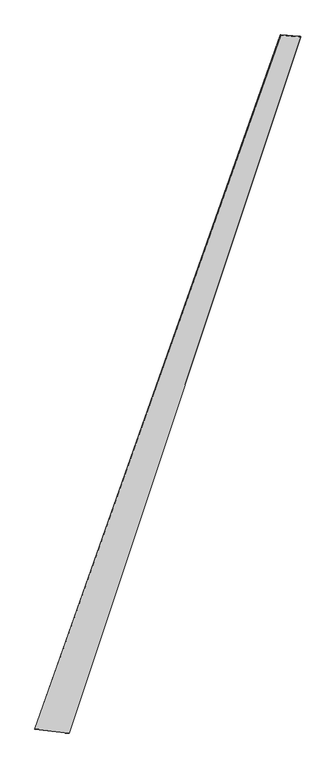
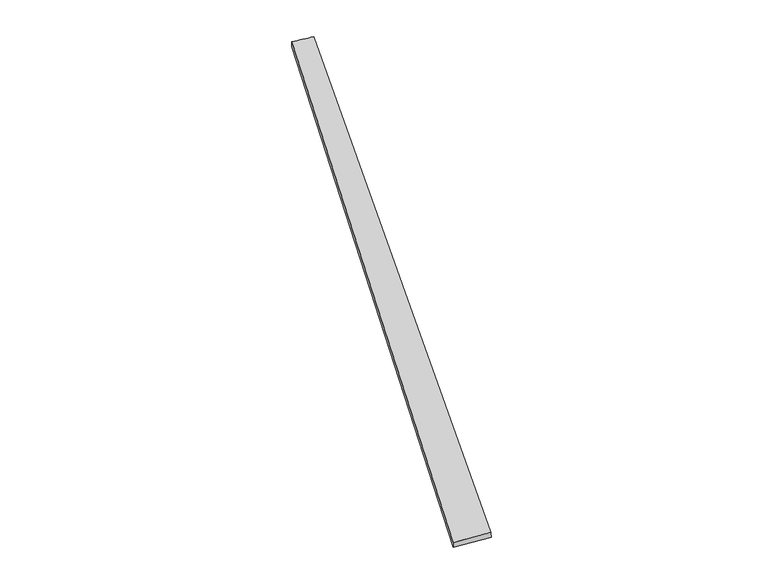
"""IFC4 building model written with IfcOpenShell, lengths in millimetres: proxy geometry."""

from ifc_helpers import new_model, si_unit, frame, origin, place, context, project, spatial, source, transform, mapped, element, save
from ifc_brep_helpers import plane_surface, spline_surface, advanced_brep


def generic_models_609821aa(model_context):
    return source(origin(), model_context, "Body", "AdvancedBrep", [
        advanced_brep(
        [(-735.7955558, -1864.0154081, -1.3832914), (-736.2517967, -1863.8810848, 28.6129384), (726.3250586, 2259.3592143, 32.3085735), (724.6384603, 2259.9836902, 2.3625317), (-533.2961024, -1885.4250202, 31.3800043), (844.7941526, 2249.3974969, 27.6308083), (-532.9750132, -1885.559106, 1.3820223), (844.1321087, 2249.590824, -2.3612627)],
        [
            (0, 1),
            (1, 2),
            (2, 3),
            (3, 0),
            (1, 4),
            (4, 5),
            (5, 2),
            (4, 6),
            (6, 7),
            (7, 5),
            (6, 0),
            (3, 7),
        ],
        [
            spline_surface(1, 1, [[(-735.7955558, -1864.0154081, -1.3832914), (724.6384603, 2259.9836902, 2.3625317)], [(-736.2517967, -1863.8810848, 28.6129384), (726.3250586, 2259.3592143, 32.3085735)]], [2, 2], [2, 2], [0.0, 1.0], [0.0, 1.0]),
            spline_surface(1, 1, [[(-736.2517967, -1863.8810848, 28.6129384), (726.3250586, 2259.3592143, 32.3085735)], [(-533.2961024, -1885.4250202, 31.3800043), (844.7941526, 2249.3974969, 27.6308083)]], [2, 2], [2, 2], [0.0, 1.0], [0.0, 1.0]),
            spline_surface(1, 1, [[(-533.2961024, -1885.4250202, 31.3800043), (844.7941526, 2249.3974969, 27.6308083)], [(-532.9750132, -1885.559106, 1.3820223), (844.1321087, 2249.590824, -2.3612627)]], [2, 2], [2, 2], [0.0, 1.0], [0.0, 1.0]),
            spline_surface(1, 1, [[(-532.9750132, -1885.559106, 1.3820223), (844.1321087, 2249.590824, -2.3612627)], [(-735.7955558, -1864.0154081, -1.3832914), (724.6384603, 2259.9836902, 2.3625317)]], [2, 2], [2, 2], [0.0, 1.0], [0.0, 1.0]),
            spline_surface(1, 1, [[(726.3250586, 2259.3592143, 32.3085735), (724.6384603, 2259.9836902, 2.3625317)], [(844.7941526, 2249.3974969, 27.6308083), (844.1321087, 2249.590824, -2.3612627)]], [2, 2], [2, 2], [0.0, 1.0], [0.0, 1.0]),
            plane_surface(frame((-634.579617, -1874.7201548, 14.9979184), z_axis=(-0.10567038040194426, -0.9943956908556039, 0.003313715967773869), x_axis=(0.9943145138794026, -0.10561657758530582, 0.013556770556973448))),
        ],
        [
            (0, [[1, 2, 3, 4]]),
            (1, [[5, 6, 7, -2]]),
            (2, [[8, 9, 10, -6]]),
            (3, [[11, -4, 12, -9]]),
            (4, [[-3, -7, -10, -12]]),
            (5, [[-11, -8, -5, -1]]),
        ],
    ),
    ])


if __name__ == "__main__":
    model = new_model("IFC4")
    model_context = context("Model", 3, world=origin())
    ifc_project = project(units=[si_unit("LENGTHUNIT", "METRE", prefix="MILLI")], contexts=[model_context])
    site = spatial("IfcSite", under=ifc_project)
    building = spatial("IfcBuilding", under=site)
    placement = place(None, origin())
    generic_models_shape = generic_models_609821aa(model_context)
    element("IfcBuildingElementProxy", 1, Name="Generic Models", at=placement, inside=building, context=model_context, shape_type="MappedRepresentation", body=[
        mapped(generic_models_shape, transform((0.0, 0.0, 0.0), x_axis=(1.0, 0.0, 0.0), y_axis=(0.0, 1.0, 0.0), z_axis=(0.0, 0.0, 1.0))),
    ])
    save(model, "model.ifc")
